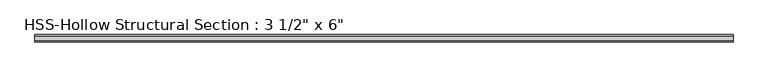
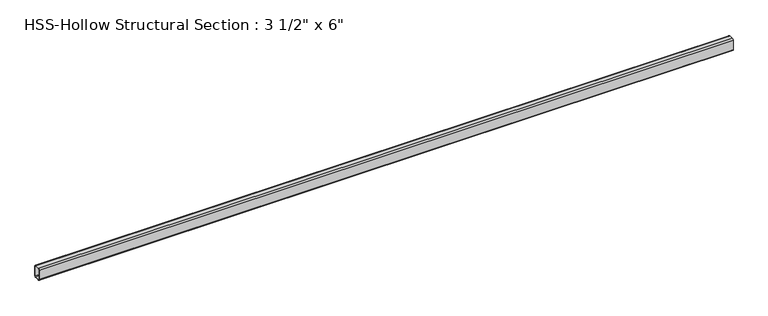
"""IFC4 building model written with IfcOpenShell, lengths in millimetres: beam geometry."""

from ifc_helpers import new_model, si_unit, point, frame, frame_2d, origin, place, context, project, spatial, polyline, circle_curve, trimmed, segment, composite_curve, outline, extrude, source, transform, mapped, element, save


def beam_b2b466c3(model_context):
    return source(origin(), model_context, "Body", "SweptSolid", [
        extrude(outline(composite_curve([segment(polyline([(44.45, 58.5390625), (44.45, -58.5390625)]), True, "CONTINUOUS"), segment(trimmed(circle_curve(frame_2d((26.7890625, -58.5390625)), 17.6609375), [point((44.45, -58.5390625))], [point((26.7890625, -76.2))], False, "CARTESIAN"), True, "CONTINUOUS"), segment(polyline([(26.7890625, -76.2), (-26.7890625, -76.2)]), True, "CONTINUOUS"), segment(trimmed(circle_curve(frame_2d((-26.7890625, -58.5390625)), 17.6609375), [point((-26.7890625, -76.2))], [point((-44.45, -58.5390625))], False, "CARTESIAN"), True, "CONTINUOUS"), segment(polyline([(-44.45, -58.5390625), (-44.45, 58.5390625)]), True, "CONTINUOUS"), segment(trimmed(circle_curve(frame_2d((-26.7890625, 58.5390625)), 17.6609375), [point((-44.45, 58.5390625))], [point((-26.7890625, 76.2))], False, "CARTESIAN"), True, "CONTINUOUS"), segment(polyline([(-26.7890625, 76.2), (26.7890625, 76.2)]), True, "CONTINUOUS"), segment(trimmed(circle_curve(frame_2d((26.7890625, 58.5390625)), 17.6609375), [point((26.7890625, 76.2))], [point((44.45, 58.5390625))], False, "CARTESIAN"), True, "CONTINUOUS")], self_intersect=False), holes=[composite_curve([segment(trimmed(circle_curve(frame_2d((-26.7890625, 58.5390625)), 8.8304687), [point((-26.7890625, 67.3695312))], [point((-35.6195313, 58.5390625))], True, "CARTESIAN"), True, "CONTINUOUS"), segment(polyline([(-35.6195313, 58.5390625), (-35.6195313, -58.5390625)]), True, "CONTINUOUS"), segment(trimmed(circle_curve(frame_2d((-26.7890625, -58.5390625)), 8.8304688), [point((-35.6195313, -58.5390625))], [point((-26.7890625, -67.3695313))], True, "CARTESIAN"), True, "CONTINUOUS"), segment(polyline([(-26.7890625, -67.3695313), (26.7890625, -67.3695313)]), True, "CONTINUOUS"), segment(trimmed(circle_curve(frame_2d((26.7890625, -58.5390625)), 8.8304687), [point((26.7890625, -67.3695313))], [point((35.6195312, -58.5390625))], True, "CARTESIAN"), True, "CONTINUOUS"), segment(polyline([(35.6195312, -58.5390625), (35.6195312, 58.5390625)]), True, "CONTINUOUS"), segment(trimmed(circle_curve(frame_2d((26.7890625, 58.5390625)), 8.8304688), [point((35.6195312, 58.5390625))], [point((26.7890625, 67.3695312))], True, "CARTESIAN"), True, "CONTINUOUS"), segment(polyline([(26.7890625, 67.3695312), (-26.7890625, 67.3695312)]), True, "CONTINUOUS")], self_intersect=False)]), frame((-4204.7875613, 0.0, 0.0), z_axis=(1.0, 0.0, 0.0), x_axis=(0.0, 1.0, 0.0)), (0.0, 0.0, 1.0), 8409.5751225),
    ])


if __name__ == "__main__":
    model = new_model("IFC4")
    model_context = context("Model", 3, world=origin())
    ifc_project = project(units=[si_unit("LENGTHUNIT", "METRE", prefix="MILLI")], contexts=[model_context])
    site = spatial("IfcSite", under=ifc_project)
    building = spatial("IfcBuilding", under=site)
    placement = place(None, origin())
    beam_shape = beam_b2b466c3(model_context)
    element("IfcBeam", 1, ObjectType="HSS-Hollow Structural Section : 3 1/2\" x 6\"", at=placement, inside=building, context=model_context, shape_type="MappedRepresentation", body=[
        mapped(beam_shape, transform((0.0, 0.0, 0.0), x_axis=(1.0, 0.0, 0.0), y_axis=(0.0, 1.0, 0.0), z_axis=(0.0, 0.0, 1.0))),
    ])
    save(model, "model.ifc")
